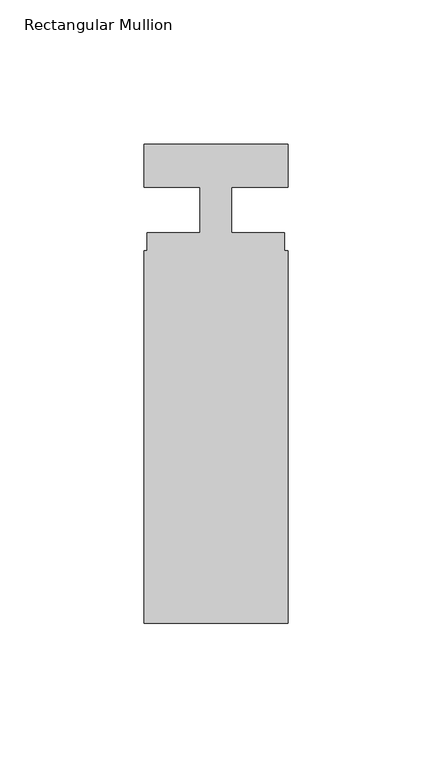
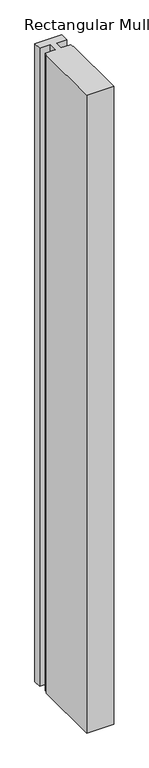
"""IFC4 building model written with IfcOpenShell, lengths in millimetres: member geometry, Rectangular Mullion."""

from ifc_helpers import new_model, si_unit, frame, origin, place, context, project, spatial, polyline, outline, extrude, source, transform, mapped, element, save


def rectangular_mullion_2f898433(model_context):
    return source(origin(), model_context, "Body", "SweptSolid", [
        extrude(outline(polyline([(0.0, -140.3), (-50.0, -140.3), (-50.0, -11.0), (-48.9, -11.0), (-48.9, -4.8), (-30.4999998, -4.8), (-30.4999998, 11.0), (-50.0, 11.0), (-50.0, 26.0), (0.0, 26.0), (0.0, 11.0), (-19.5, 11.0), (-19.5, -4.8), (-1.1, -4.8), (-1.1, -11.0), (0.0, -11.0), (0.0, -140.3)])), frame((0.0, 0.0, -1250.0), z_axis=(0.0, 0.0, 1.0), x_axis=(1.0, 0.0, 0.0)), (0.0, 0.0, 1.0), 1250.0),
    ])


if __name__ == "__main__":
    model = new_model("IFC4")
    model_context = context("Model", 3, world=origin())
    ifc_project = project(units=[si_unit("LENGTHUNIT", "METRE", prefix="MILLI")], contexts=[model_context])
    site = spatial("IfcSite", under=ifc_project)
    building = spatial("IfcBuilding", under=site)
    placement = place(None, origin())
    rectangular_mullion_shape = rectangular_mullion_2f898433(model_context)
    element("IfcMember", 1, ObjectType="Rectangular Mullion", at=placement, inside=building, context=model_context, shape_type="MappedRepresentation", body=[
        mapped(rectangular_mullion_shape, transform((0.0, 0.0, 0.0), x_axis=(1.0, 0.0, 0.0), y_axis=(0.0, 1.0, 0.0), z_axis=(0.0, 0.0, 1.0))),
    ])
    save(model, "model.ifc")
